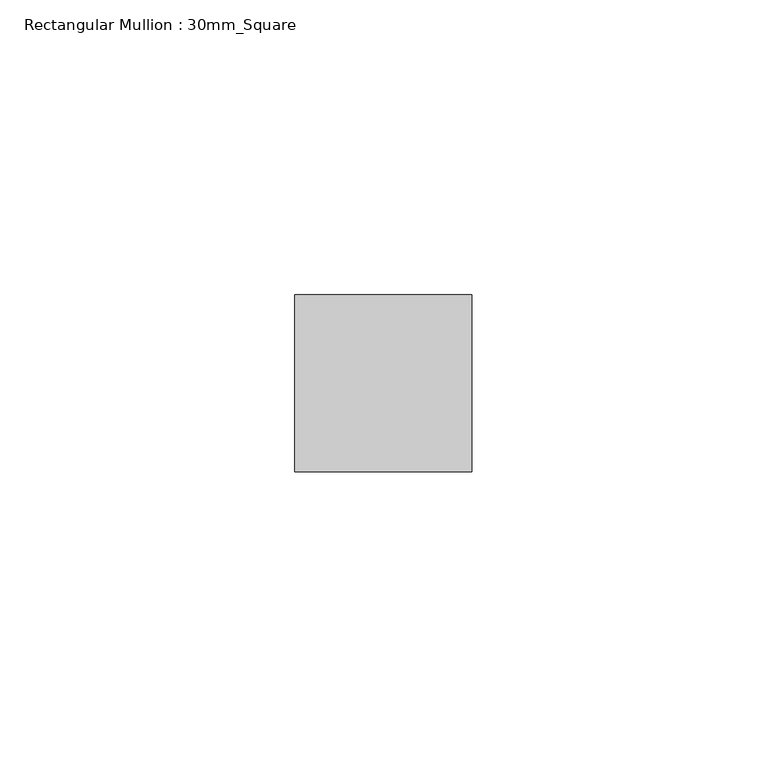
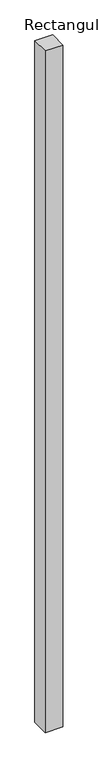
"""IFC4 building model written with IfcOpenShell, lengths in millimetres: member geometry, Rectangular Mullion : 30mm_Square."""

from ifc_helpers import new_model, si_unit, frame, origin, place, context, project, spatial, polyline, outline, extrude, source, transform, mapped, element, save


def rectangular_mullion_30mm_square_4116b797(model_context):
    return source(origin(), model_context, "Body", "SweptSolid", [
        extrude(outline(polyline([(0.0, 15.0), (0.0, -15.0), (-30.0, -15.0), (-30.0, 15.0), (0.0, 15.0)])), frame((0.0, 0.0, -1225.0), z_axis=(0.0, 0.0, 1.0), x_axis=(1.0, 0.0, 0.0)), (0.0, 0.0, 1.0), 1225.0),
    ])


if __name__ == "__main__":
    model = new_model("IFC4")
    model_context = context("Model", 3, world=origin())
    ifc_project = project(units=[si_unit("LENGTHUNIT", "METRE", prefix="MILLI")], contexts=[model_context])
    site = spatial("IfcSite", under=ifc_project)
    building = spatial("IfcBuilding", under=site)
    placement = place(None, origin())
    rectangular_mullion_30mm_square_shape = rectangular_mullion_30mm_square_4116b797(model_context)
    element("IfcMember", 1, ObjectType="Rectangular Mullion : 30mm_Square", at=placement, inside=building, context=model_context, shape_type="MappedRepresentation", body=[
        mapped(rectangular_mullion_30mm_square_shape, transform((0.0, 0.0, 0.0), x_axis=(1.0, 0.0, 0.0), y_axis=(0.0, 1.0, 0.0), z_axis=(0.0, 0.0, 1.0))),
    ])
    save(model, "model.ifc")
